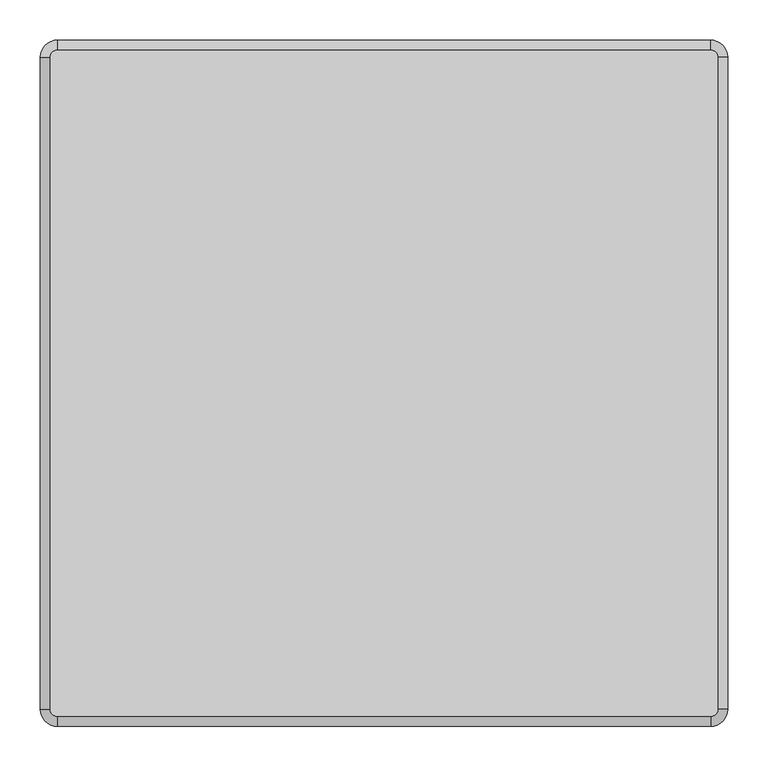
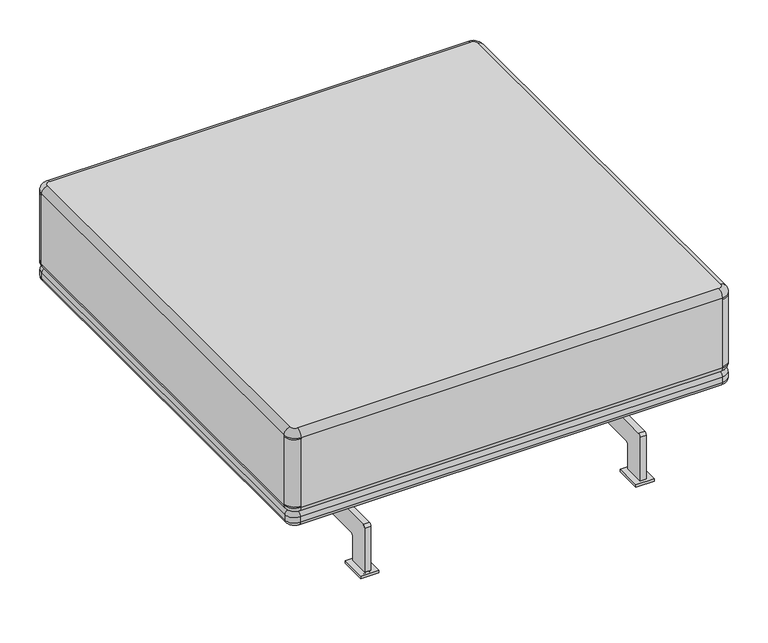
"""IFC4 building model written with IfcOpenShell, lengths in millimetres: furniture geometry."""

from ifc_helpers import new_model, si_unit, point, frame, frame_2d, origin, origin_with_axes, place, context, project, spatial, polyline, circle_curve, ellipse_curve, trimmed, segment, composite_curve, outline, extrude, source, transform, mapped, element, save
from ifc_brep_helpers import plane_surface, cylinder_surface, revolved_surface, advanced_brep


def furniture_0c8e1d78(model_context):
    return source(origin(), model_context, "Body", "SolidModel", [
        advanced_brep(
        [(-403.8164687, 415.8692225, 351.6735871), (-412.52806, 407.1576312, 351.6735871), (-412.52806, -401.8972492, 351.6735871), (-403.8164687, -410.6088405, 351.6735871), (406.9616343, -410.6088405, 351.6735871), (415.6732256, -401.8972492, 351.6735871), (415.6732256, 407.1576312, 351.6735871), (406.9616343, 415.8692225, 351.6735871), (-412.52806, 407.1576312, 185.0), (-403.8164687, 415.8692225, 185.0), (406.9616343, 415.8692225, 185.0), (415.6732256, 407.1576312, 185.0), (415.6732256, -401.8972492, 185.0), (406.9616343, -410.6088405, 185.0), (-403.8164687, -410.6088405, 185.0), (-412.52806, -401.8972492, 185.0), (-424.8645127, 407.1576312, 339.3371343), (-403.8164687, 428.2056753, 339.3371343), (-403.8164687, 428.2056753, 336.7190305), (-424.8645127, 407.1576312, 336.7190305), (-424.8645127, 407.1576312, 199.9545565), (-424.8645127, 407.1576312, 197.3364528), (-424.8645127, -401.8972492, 197.3364528), (-424.8645127, -401.8972492, 199.9545565), (-424.8645127, -401.8972492, 336.7190305), (-424.8645127, -401.8972492, 339.3371343), (-403.8164687, -422.9452933, 336.7190305), (-403.8164687, -422.9452933, 339.3371343), (-403.8164687, -422.9452933, 199.9545565), (-403.8164687, -422.9452933, 197.3364528), (406.9616343, -422.9452933, 197.3364528), (406.9616343, -422.9452933, 199.9545565), (406.9616343, -422.9452933, 336.7190305), (406.9616343, -422.9452933, 339.3371343), (428.0096784, -401.8972492, 336.7190305), (428.0096784, -401.8972492, 339.3371343), (428.0096784, -401.8972492, 199.9545565), (428.0096784, -401.8972492, 197.3364528), (428.0096784, 407.1576312, 197.3364528), (428.0096784, 407.1576312, 199.9545565), (428.0096784, 407.1576312, 336.7190305), (428.0096784, 407.1576312, 339.3371343), (406.9616343, 428.2056753, 336.7190305), (406.9616343, 428.2056753, 339.3371343), (406.9616343, 428.2056753, 199.9545565), (406.9616343, 428.2056753, 197.3364528), (-403.8164687, 428.2056753, 197.3364528), (-403.8164687, 428.2056753, 199.9545565)],
        [
            (0, 1, circle_curve(frame((-403.8164687, 407.1576312, 351.6735871), z_axis=(0.0, 0.0, 1.0), x_axis=(0.0, 1.0, 0.0)), 8.7115913)),
            (1, 2),
            (2, 3, circle_curve(frame((-403.8164687, -401.8972492, 351.6735871), z_axis=(0.0, 0.0, 1.0), x_axis=(-1.0, 0.0, 0.0)), 8.7115913)),
            (3, 4),
            (4, 5, circle_curve(frame((406.9616343, -401.8972492, 351.6735871), z_axis=(0.0, 0.0, 1.0), x_axis=(0.0, -1.0, 0.0)), 8.7115913)),
            (5, 6),
            (6, 7, circle_curve(frame((406.9616343, 407.1576312, 351.6735871), z_axis=(0.0, 0.0, 1.0), x_axis=(1.0, 0.0, 0.0)), 8.7115913)),
            (7, 0),
            (8, 9, circle_curve(frame((-403.8164687, 407.1576312, 185.0), z_axis=(0.0, 0.0, -1.0), x_axis=(0.0, 1.0, 0.0)), 8.7115913)),
            (9, 10),
            (10, 11, circle_curve(frame((406.9616343, 407.1576312, 185.0), z_axis=(0.0, 0.0, -1.0), x_axis=(1.0, 0.0, 0.0)), 8.7115913)),
            (11, 12),
            (12, 13, circle_curve(frame((406.9616343, -401.8972492, 185.0), z_axis=(0.0, 0.0, -1.0), x_axis=(0.0, -1.0, 0.0)), 8.7115913)),
            (13, 14),
            (14, 15, circle_curve(frame((-403.8164687, -401.8972492, 185.0), z_axis=(0.0, 0.0, -1.0), x_axis=(-1.0, 0.0, 0.0)), 8.7115913)),
            (15, 8),
            (16, 17, circle_curve(frame((-403.8164687, 407.1576312, 339.3371343), z_axis=(0.0, 0.0, -1.0), x_axis=(0.0, 1.0, 0.0)), 21.0480441)),
            (17, 18),
            (18, 19, circle_curve(frame((-403.8164687, 407.1576312, 336.7190305), z_axis=(0.0, 0.0, 1.0), x_axis=(0.0, 1.0, 0.0)), 21.0480441)),
            (19, 16),
            (16, 1, circle_curve(frame((-412.52806, 407.1576312, 339.3371343), z_axis=(0.0, 1.0, 0.0), x_axis=(1.0, 0.0, 0.0)), 12.3364528)),
            (0, 17, circle_curve(frame((-403.8164687, 415.8692225, 339.3371343), z_axis=(-1.0, 0.0, 0.0), x_axis=(0.0, -1.0, 0.0)), 12.3364528)),
            (19, 20),
            (20, 21),
            (21, 22),
            (22, 23),
            (23, 24),
            (24, 25),
            (25, 16),
            (25, 2, circle_curve(frame((-412.52806, -401.8972492, 339.3371343), z_axis=(0.0, 1.0, 0.0), x_axis=(1.0, 0.0, 0.0)), 12.3364528)),
            (24, 26, circle_curve(frame((-403.8164687, -401.8972492, 336.7190305), z_axis=(0.0, 0.0, 1.0), x_axis=(-1.0, 0.0, 0.0)), 21.0480441)),
            (26, 27),
            (27, 25, circle_curve(frame((-403.8164687, -401.8972492, 339.3371343), z_axis=(0.0, 0.0, -1.0), x_axis=(-1.0, 0.0, 0.0)), 21.0480441)),
            (27, 3, circle_curve(frame((-403.8164687, -410.6088405, 339.3371343), z_axis=(-1.0, 0.0, 0.0), x_axis=(0.0, 1.0, 0.0)), 12.3364528)),
            (26, 28),
            (28, 29),
            (29, 30),
            (30, 31),
            (31, 32),
            (32, 33),
            (33, 27),
            (33, 4, circle_curve(frame((406.9616343, -410.6088405, 339.3371343), z_axis=(-1.0, 0.0, 0.0), x_axis=(0.0, 1.0, 0.0)), 12.3364528)),
            (32, 34, circle_curve(frame((406.9616343, -401.8972492, 336.7190305), z_axis=(0.0, 0.0, 1.0), x_axis=(0.0, -1.0, 0.0)), 21.0480441)),
            (34, 35),
            (35, 33, circle_curve(frame((406.9616343, -401.8972492, 339.3371343), z_axis=(0.0, 0.0, -1.0), x_axis=(0.0, -1.0, 0.0)), 21.0480441)),
            (35, 5, circle_curve(frame((415.6732256, -401.8972492, 339.3371343), z_axis=(0.0, -1.0, 0.0), x_axis=(-1.0, 0.0, 0.0)), 12.3364528)),
            (34, 36),
            (36, 37),
            (37, 38),
            (38, 39),
            (39, 40),
            (40, 41),
            (41, 35),
            (41, 6, circle_curve(frame((415.6732256, 407.1576312, 339.3371343), z_axis=(0.0, -1.0, 0.0), x_axis=(-1.0, 0.0, 0.0)), 12.3364528)),
            (40, 42, circle_curve(frame((406.9616343, 407.1576312, 336.7190305), z_axis=(0.0, 0.0, 1.0), x_axis=(1.0, 0.0, 0.0)), 21.0480441)),
            (42, 43),
            (43, 41, circle_curve(frame((406.9616343, 407.1576312, 339.3371343), z_axis=(0.0, 0.0, -1.0), x_axis=(1.0, 0.0, 0.0)), 21.0480441)),
            (43, 7, circle_curve(frame((406.9616343, 415.8692225, 339.3371343), z_axis=(1.0, 0.0, 0.0), x_axis=(0.0, -1.0, 0.0)), 12.3364528)),
            (17, 43),
            (42, 44),
            (44, 45),
            (45, 46),
            (46, 47),
            (47, 18),
            (23, 28, circle_curve(frame((-403.8164687, -401.8972492, 199.9545565), z_axis=(0.0, 0.0, 1.0), x_axis=(-1.0, 0.0, 0.0)), 21.0480441)),
            (31, 36, circle_curve(frame((406.9616343, -401.8972492, 199.9545565), z_axis=(0.0, 0.0, 1.0), x_axis=(0.0, -1.0, 0.0)), 21.0480441)),
            (39, 44, circle_curve(frame((406.9616343, 407.1576312, 199.9545565), z_axis=(0.0, 0.0, 1.0), x_axis=(1.0, 0.0, 0.0)), 21.0480441)),
            (47, 20, circle_curve(frame((-403.8164687, 407.1576312, 199.9545565), z_axis=(0.0, 0.0, 1.0), x_axis=(0.0, 1.0, 0.0)), 21.0480441)),
            (46, 21, circle_curve(frame((-403.8164687, 407.1576312, 197.3364528), z_axis=(0.0, 0.0, 1.0), x_axis=(0.0, 1.0, 0.0)), 21.0480441)),
            (46, 9, circle_curve(frame((-403.8164687, 415.8692225, 197.3364528), z_axis=(-1.0, 0.0, 0.0), x_axis=(0.0, -1.0, 0.0)), 12.3364528)),
            (8, 21, circle_curve(frame((-412.52806, 407.1576312, 197.3364528), z_axis=(0.0, 1.0, 0.0), x_axis=(1.0, 0.0, 0.0)), 12.3364528)),
            (15, 22, circle_curve(frame((-412.52806, -401.8972492, 197.3364528), z_axis=(0.0, 1.0, 0.0), x_axis=(1.0, 0.0, 0.0)), 12.3364528)),
            (22, 29, circle_curve(frame((-403.8164687, -401.8972492, 197.3364528), z_axis=(0.0, 0.0, 1.0), x_axis=(-1.0, 0.0, 0.0)), 21.0480441)),
            (14, 29, circle_curve(frame((-403.8164687, -410.6088405, 197.3364528), z_axis=(-1.0, 0.0, 0.0), x_axis=(0.0, 1.0, 0.0)), 12.3364528)),
            (13, 30, circle_curve(frame((406.9616343, -410.6088405, 197.3364528), z_axis=(-1.0, 0.0, 0.0), x_axis=(0.0, 1.0, 0.0)), 12.3364528)),
            (30, 37, circle_curve(frame((406.9616343, -401.8972492, 197.3364528), z_axis=(0.0, 0.0, 1.0), x_axis=(0.0, -1.0, 0.0)), 21.0480441)),
            (12, 37, circle_curve(frame((415.6732256, -401.8972492, 197.3364528), z_axis=(0.0, -1.0, 0.0), x_axis=(-1.0, 0.0, 0.0)), 12.3364528)),
            (11, 38, circle_curve(frame((415.6732256, 407.1576312, 197.3364528), z_axis=(0.0, -1.0, 0.0), x_axis=(-1.0, 0.0, 0.0)), 12.3364528)),
            (38, 45, circle_curve(frame((406.9616343, 407.1576312, 197.3364528), z_axis=(0.0, 0.0, 1.0), x_axis=(1.0, 0.0, 0.0)), 21.0480441)),
            (10, 45, circle_curve(frame((406.9616343, 415.8692225, 197.3364528), z_axis=(1.0, 0.0, 0.0), x_axis=(0.0, -1.0, 0.0)), 12.3364528)),
        ],
        [
            plane_surface(frame((406.9616343, 412.1576312, 351.6735871), z_axis=(0.0, 0.0, 1.0), x_axis=(-1.0, 0.0, 0.0))),
            plane_surface(frame((406.9616343, 412.1576312, 185.0), z_axis=(0.0, 0.0, -1.0), x_axis=(1.0, 0.0, 0.0))),
            cylinder_surface(frame((-403.8164687, 407.1576312, 351.6735871), z_axis=(0.0, 0.0, 1.0), x_axis=(0.0, 1.0, 0.0)), 21.0480441),
            revolved_surface(trimmed(ellipse_curve(frame((-403.8164687, 415.8692225, 339.3371343), z_axis=(1.0, 0.0, 0.0), x_axis=(0.0, -1.0, 0.0)), 12.3364528, 12.3364528), [point((-403.8164687, 428.2056753, 339.3371343))], [point((-403.8164687, 415.8692225, 351.6735871))], True, "CARTESIAN"), (-403.8164687, 407.1576312, 351.6735871), (0.0, 0.0, 1.0)),
            plane_surface(frame((-424.8645127, 407.1576312, 336.7190305), z_axis=(-1.0, 0.0, 0.0), x_axis=(0.0, -1.0, 0.0))),
            cylinder_surface(frame((-412.52806, 407.1576312, 339.3371343), z_axis=(0.0, 1.0, 0.0), x_axis=(1.0, 0.0, 0.0)), 12.3364528),
            cylinder_surface(frame((-403.8164687, -401.8972492, 351.6735871), z_axis=(0.0, 0.0, 1.0), x_axis=(-1.0, 0.0, 0.0)), 21.0480441),
            revolved_surface(trimmed(ellipse_curve(frame((-412.52806, -401.8972492, 339.3371343), z_axis=(0.0, 1.0, 0.0), x_axis=(1.0, 0.0, 0.0)), 12.3364528, 12.3364528), [point((-424.8645127, -401.8972492, 339.3371343))], [point((-412.52806, -401.8972492, 351.6735871))], True, "CARTESIAN"), (-403.8164687, -401.8972492, 351.6735871), (0.0, 0.0, 1.0)),
            plane_surface(frame((-403.8164687, -422.9452933, 336.7190305), z_axis=(0.0, -1.0, 0.0), x_axis=(1.0, 0.0, 0.0))),
            cylinder_surface(frame((-403.8164687, -410.6088405, 339.3371343), z_axis=(-1.0, 0.0, 0.0), x_axis=(0.0, 1.0, 0.0)), 12.3364528),
            cylinder_surface(frame((406.9616343, -401.8972492, 351.6735871), z_axis=(0.0, 0.0, 1.0), x_axis=(0.0, -1.0, 0.0)), 21.0480441),
            revolved_surface(trimmed(ellipse_curve(frame((406.9616343, -410.6088405, 339.3371343), z_axis=(-1.0, 0.0, 0.0), x_axis=(0.0, 1.0, 0.0)), 12.3364528, 12.3364528), [point((406.9616343, -422.9452933, 339.3371343))], [point((406.9616343, -410.6088405, 351.6735871))], True, "CARTESIAN"), (406.9616343, -401.8972492, 351.6735871), (0.0, 0.0, 1.0)),
            plane_surface(frame((428.0096784, -401.8972492, 336.7190305), z_axis=(1.0, 0.0, 0.0), x_axis=(0.0, 1.0, 0.0))),
            cylinder_surface(frame((415.6732256, -401.8972492, 339.3371343), z_axis=(0.0, -1.0, 0.0), x_axis=(-1.0, 0.0, 0.0)), 12.3364528),
            cylinder_surface(frame((406.9616343, 407.1576312, 351.6735871), z_axis=(0.0, 0.0, 1.0), x_axis=(1.0, 0.0, 0.0)), 21.0480441),
            revolved_surface(trimmed(ellipse_curve(frame((415.6732256, 407.1576312, 339.3371343), z_axis=(0.0, -1.0, 0.0), x_axis=(-1.0, 0.0, 0.0)), 12.3364528, 12.3364528), [point((428.0096784, 407.1576312, 339.3371343))], [point((415.6732256, 407.1576312, 351.6735871))], True, "CARTESIAN"), (406.9616343, 407.1576312, 351.6735871), (0.0, 0.0, 1.0)),
            plane_surface(frame((406.9616343, 428.2056753, 336.7190305), z_axis=(0.0, 1.0, 0.0), x_axis=(-1.0, 0.0, 0.0))),
            cylinder_surface(frame((406.9616343, 415.8692225, 339.3371343), z_axis=(1.0, 0.0, 0.0), x_axis=(0.0, -1.0, 0.0)), 12.3364528),
            cylinder_surface(frame((-403.8164687, -401.8972492, 199.9545565), z_axis=(0.0, 0.0, 1.0), x_axis=(-1.0, 0.0, 0.0)), 21.0480441),
            cylinder_surface(frame((406.9616343, -401.8972492, 199.9545565), z_axis=(0.0, 0.0, 1.0), x_axis=(0.0, -1.0, 0.0)), 21.0480441),
            cylinder_surface(frame((406.9616343, 407.1576312, 199.9545565), z_axis=(0.0, 0.0, 1.0), x_axis=(1.0, 0.0, 0.0)), 21.0480441),
            cylinder_surface(frame((-403.8164687, 407.1576312, 199.9545565), z_axis=(0.0, 0.0, 1.0), x_axis=(0.0, 1.0, 0.0)), 21.0480441),
            cylinder_surface(frame((-403.8164687, 407.1576312, 185.0), z_axis=(0.0, 0.0, 1.0), x_axis=(0.0, 1.0, 0.0)), 21.0480441),
            revolved_surface(trimmed(ellipse_curve(frame((-403.8164687, 415.8692225, 197.3364528), z_axis=(1.0, 0.0, 0.0), x_axis=(0.0, -1.0, 0.0)), 12.3364528, 12.3364528), [point((-403.8164687, 415.8692225, 185.0))], [point((-403.8164687, 428.2056753, 197.3364528))], True, "CARTESIAN"), (-403.8164687, 407.1576312, 185.0), (0.0, 0.0, 1.0)),
            cylinder_surface(frame((-412.52806, 407.1576312, 197.3364528), z_axis=(0.0, 1.0, 0.0), x_axis=(1.0, 0.0, 0.0)), 12.3364528),
            cylinder_surface(frame((-403.8164687, -401.8972492, 185.0), z_axis=(0.0, 0.0, 1.0), x_axis=(-1.0, 0.0, 0.0)), 21.0480441),
            revolved_surface(trimmed(ellipse_curve(frame((-412.52806, -401.8972492, 197.3364528), z_axis=(0.0, 1.0, 0.0), x_axis=(1.0, 0.0, 0.0)), 12.3364528, 12.3364528), [point((-412.52806, -401.8972492, 185.0))], [point((-424.8645127, -401.8972492, 197.3364528))], True, "CARTESIAN"), (-403.8164687, -401.8972492, 185.0), (0.0, 0.0, 1.0)),
            cylinder_surface(frame((-403.8164687, -410.6088405, 197.3364528), z_axis=(-1.0, 0.0, 0.0), x_axis=(0.0, 1.0, 0.0)), 12.3364528),
            cylinder_surface(frame((406.9616343, -401.8972492, 185.0), z_axis=(0.0, 0.0, 1.0), x_axis=(0.0, -1.0, 0.0)), 21.0480441),
            revolved_surface(trimmed(ellipse_curve(frame((406.9616343, -410.6088405, 197.3364528), z_axis=(-1.0, 0.0, 0.0), x_axis=(0.0, 1.0, 0.0)), 12.3364528, 12.3364528), [point((406.9616343, -410.6088405, 185.0))], [point((406.9616343, -422.9452933, 197.3364528))], True, "CARTESIAN"), (406.9616343, -401.8972492, 185.0), (0.0, 0.0, 1.0)),
            cylinder_surface(frame((415.6732256, -401.8972492, 197.3364528), z_axis=(0.0, -1.0, 0.0), x_axis=(-1.0, 0.0, 0.0)), 12.3364528),
            cylinder_surface(frame((406.9616343, 407.1576312, 185.0), z_axis=(0.0, 0.0, 1.0), x_axis=(1.0, 0.0, 0.0)), 21.0480441),
            revolved_surface(trimmed(ellipse_curve(frame((415.6732256, 407.1576312, 197.3364528), z_axis=(0.0, -1.0, 0.0), x_axis=(-1.0, 0.0, 0.0)), 12.3364528, 12.3364528), [point((415.6732256, 407.1576312, 185.0))], [point((428.0096784, 407.1576312, 197.3364528))], True, "CARTESIAN"), (406.9616343, 407.1576312, 185.0), (0.0, 0.0, 1.0)),
            cylinder_surface(frame((406.9616343, 415.8692225, 197.3364528), z_axis=(1.0, 0.0, 0.0), x_axis=(0.0, -1.0, 0.0)), 12.3364528),
        ],
        [
            (0, [[1, 2, 3, 4, 5, 6, 7, 8]]),
            (1, [[9, 10, 11, 12, 13, 14, 15, 16]]),
            (2, [[17, 18, 19, 20]]),
            (3, [[-17, 21, -1, 22]]),
            (4, [[-20, 23, 24, 25, 26, 27, 28, 29]]),
            (5, [[-21, -29, 30, -2]]),
            (6, [[-28, 31, 32, 33]]),
            (7, [[-30, -33, 34, -3]]),
            (8, [[-32, 35, 36, 37, 38, 39, 40, 41]]),
            (9, [[-34, -41, 42, -4]]),
            (10, [[-40, 43, 44, 45]]),
            (11, [[-42, -45, 46, -5]]),
            (12, [[-44, 47, 48, 49, 50, 51, 52, 53]]),
            (13, [[-46, -53, 54, -6]]),
            (14, [[-52, 55, 56, 57]]),
            (15, [[-54, -57, 58, -7]]),
            (16, [[-18, 59, -56, 60, 61, 62, 63, 64]]),
            (17, [[-22, -8, -58, -59]]),
            (18, [[-27, 65, -35, -31]]),
            (19, [[-39, 66, -47, -43]]),
            (20, [[-51, 67, -60, -55]]),
            (21, [[-64, 68, -23, -19]]),
            (22, [[-63, 69, -24, -68]]),
            (23, [[-69, 70, -9, 71]]),
            (24, [[-71, -16, 72, -25]]),
            (25, [[-26, 73, -36, -65]]),
            (26, [[-72, -15, 74, -73]]),
            (27, [[-74, -14, 75, -37]]),
            (28, [[-38, 76, -48, -66]]),
            (29, [[-75, -13, 77, -76]]),
            (30, [[-77, -12, 78, -49]]),
            (31, [[-50, 79, -61, -67]]),
            (32, [[-78, -11, 80, -79]]),
            (33, [[-70, -62, -80, -10]]),
        ],
    ),
        extrude(outline(polyline([(284.5710061, -407.8832501), (249.5710061, -407.8832501), (249.5710061, -355.8917628), (284.5710061, -355.8917628), (284.5710061, -407.8832501)])), origin_with_axes(), (0.0, 0.0, 1.0), 5.0),
        extrude(outline(polyline([(284.5710061, 414.103154), (284.5710061, 362.1116667), (249.5710061, 362.1116667), (249.5710061, 414.103154), (284.5710061, 414.103154)])), origin_with_axes(), (0.0, 0.0, 1.0), 5.0),
        extrude(outline(composite_curve([segment(polyline([(263.110295, 99.9874953), (403.1172531, 99.9874953)]), True, "CONTINUOUS"), segment(trimmed(circle_curve(frame_2d((403.1172531, 94.9874953)), 5.0), [point((403.1172531, 99.9874953))], [point((408.1172531, 94.9874953))], False, "CARTESIAN"), True, "CONTINUOUS"), segment(polyline([(408.1172531, 94.9874953), (408.1172531, 5.0)]), True, "CONTINUOUS"), segment(trimmed(circle_curve(frame_2d((403.1172531, 5.0)), 5.0), [point((408.1172531, 5.0))], [point((403.1172531, 0.0))], False, "CARTESIAN"), True, "CONTINUOUS"), segment(polyline([(403.1172531, 0.0), (373.1147119, 0.0)]), True, "CONTINUOUS"), segment(trimmed(circle_curve(frame_2d((373.1147119, 5.0)), 5.0), [point((373.1147119, 0.0))], [point((368.1147119, 5.0))], False, "CARTESIAN"), True, "CONTINUOUS"), segment(polyline([(368.1147119, 5.0), (368.1147119, 54.9883827)]), True, "CONTINUOUS"), segment(trimmed(circle_curve(frame_2d((363.1147119, 54.9883827)), 5.0), [point((368.1147119, 54.9883827))], [point((363.1147119, 59.9883827))], True, "CARTESIAN"), True, "CONTINUOUS"), segment(polyline([(363.1147119, 59.9883827), (-356.8930928, 59.9883827)]), True, "CONTINUOUS"), segment(trimmed(circle_curve(frame_2d((-356.8930928, 54.9883827)), 5.0), [point((-356.8930928, 59.9883827))], [point((-361.8930928, 54.9883827))], True, "CARTESIAN"), True, "CONTINUOUS"), segment(polyline([(-361.8930928, 54.9883827), (-361.8930928, 5.0)]), True, "CONTINUOUS"), segment(trimmed(circle_curve(frame_2d((-366.8930928, 5.0)), 5.0), [point((-361.8930928, 5.0))], [point((-366.8930928, 0.0))], False, "CARTESIAN"), True, "CONTINUOUS"), segment(polyline([(-366.8930928, 0.0), (-396.8802049, 0.0)]), True, "CONTINUOUS"), segment(trimmed(circle_curve(frame_2d((-396.8802049, 5.0)), 5.0), [point((-396.8802049, 0.0))], [point((-401.8802049, 5.0))], False, "CARTESIAN"), True, "CONTINUOUS"), segment(polyline([(-401.8802049, 5.0), (-401.8802049, 94.9874953)]), True, "CONTINUOUS"), segment(trimmed(circle_curve(frame_2d((-396.8802049, 94.9874953)), 5.0), [point((-401.8802049, 94.9874953))], [point((-396.8802049, 99.9874953))], False, "CARTESIAN"), True, "CONTINUOUS"), segment(polyline([(-396.8802049, 99.9874953), (-256.8869616, 99.9874953)]), True, "CONTINUOUS"), segment(trimmed(circle_curve(frame_2d((-256.8869616, 104.9874953)), 5.0), [point((-256.8869616, 99.9874953))], [point((-251.8869616, 104.9874953))], True, "CARTESIAN"), True, "CONTINUOUS"), segment(polyline([(-251.8869616, 104.9874953), (-251.8869616, 158.854696), (258.110295, 158.854696), (258.110295, 104.9874953)]), True, "CONTINUOUS"), segment(trimmed(circle_curve(frame_2d((263.110295, 104.9874953)), 5.0), [point((258.110295, 104.9874953))], [point((263.110295, 99.9874953))], True, "CARTESIAN"), True, "CONTINUOUS")], self_intersect=False)), frame((260.5725956, 0.0, 0.0), z_axis=(1.0, 0.0, 0.0), x_axis=(0.0, 1.0, 0.0)), (0.0, 0.0, 1.0), 12.0),
        extrude(outline(polyline([(-245.4290183, -407.8832501), (-280.4290183, -407.8832501), (-280.4290183, -355.8917628), (-245.4290183, -355.8917628), (-245.4290183, -407.8832501)])), origin_with_axes(), (0.0, 0.0, 1.0), 5.0),
        extrude(outline(polyline([(-245.4290183, 414.103154), (-245.4290183, 362.1116667), (-280.4290183, 362.1116667), (-280.4290183, 414.103154), (-245.4290183, 414.103154)])), origin_with_axes(), (0.0, 0.0, 1.0), 5.0),
        extrude(outline(composite_curve([segment(polyline([(263.110295, 99.9874953), (403.1172531, 99.9874953)]), True, "CONTINUOUS"), segment(trimmed(circle_curve(frame_2d((403.1172531, 94.9874953)), 5.0), [point((403.1172531, 99.9874953))], [point((408.1172531, 94.9874953))], False, "CARTESIAN"), True, "CONTINUOUS"), segment(polyline([(408.1172531, 94.9874953), (408.1172531, 5.0)]), True, "CONTINUOUS"), segment(trimmed(circle_curve(frame_2d((403.1172531, 5.0)), 5.0), [point((408.1172531, 5.0))], [point((403.1172531, 0.0))], False, "CARTESIAN"), True, "CONTINUOUS"), segment(polyline([(403.1172531, 0.0), (373.1147119, 0.0)]), True, "CONTINUOUS"), segment(trimmed(circle_curve(frame_2d((373.1147119, 5.0)), 5.0), [point((373.1147119, 0.0))], [point((368.1147119, 5.0))], False, "CARTESIAN"), True, "CONTINUOUS"), segment(polyline([(368.1147119, 5.0), (368.1147119, 54.9883827)]), True, "CONTINUOUS"), segment(trimmed(circle_curve(frame_2d((363.1147119, 54.9883827)), 5.0), [point((368.1147119, 54.9883827))], [point((363.1147119, 59.9883827))], True, "CARTESIAN"), True, "CONTINUOUS"), segment(polyline([(363.1147119, 59.9883827), (-356.8930928, 59.9883827)]), True, "CONTINUOUS"), segment(trimmed(circle_curve(frame_2d((-356.8930928, 54.9883827)), 5.0), [point((-356.8930928, 59.9883827))], [point((-361.8930928, 54.9883827))], True, "CARTESIAN"), True, "CONTINUOUS"), segment(polyline([(-361.8930928, 54.9883827), (-361.8930928, 5.0)]), True, "CONTINUOUS"), segment(trimmed(circle_curve(frame_2d((-366.8930928, 5.0)), 5.0), [point((-361.8930928, 5.0))], [point((-366.8930928, 0.0))], False, "CARTESIAN"), True, "CONTINUOUS"), segment(polyline([(-366.8930928, 0.0), (-396.8802049, 0.0)]), True, "CONTINUOUS"), segment(trimmed(circle_curve(frame_2d((-396.8802049, 5.0)), 5.0), [point((-396.8802049, 0.0))], [point((-401.8802049, 5.0))], False, "CARTESIAN"), True, "CONTINUOUS"), segment(polyline([(-401.8802049, 5.0), (-401.8802049, 94.9874953)]), True, "CONTINUOUS"), segment(trimmed(circle_curve(frame_2d((-396.8802049, 94.9874953)), 5.0), [point((-401.8802049, 94.9874953))], [point((-396.8802049, 99.9874953))], False, "CARTESIAN"), True, "CONTINUOUS"), segment(polyline([(-396.8802049, 99.9874953), (-256.8869616, 99.9874953)]), True, "CONTINUOUS"), segment(trimmed(circle_curve(frame_2d((-256.8869616, 104.9874953)), 5.0), [point((-256.8869616, 99.9874953))], [point((-251.8869616, 104.9874953))], True, "CARTESIAN"), True, "CONTINUOUS"), segment(polyline([(-251.8869616, 104.9874953), (-251.8869616, 158.854696), (258.110295, 158.854696), (258.110295, 104.9874953)]), True, "CONTINUOUS"), segment(trimmed(circle_curve(frame_2d((263.110295, 104.9874953)), 5.0), [point((258.110295, 104.9874953))], [point((263.110295, 99.9874953))], True, "CARTESIAN"), True, "CONTINUOUS")], self_intersect=False)), frame((-269.4274289, 0.0, 0.0), z_axis=(1.0, 0.0, 0.0), x_axis=(0.0, 1.0, 0.0)), (0.0, 0.0, 1.0), 12.0),
        extrude(outline(composite_curve([segment(polyline([(-408.8164687, -401.8972492), (-408.8164687, 407.1576312)]), True, "CONTINUOUS"), segment(trimmed(circle_curve(frame_2d((-403.8164687, 407.1576312)), 5.0), [point((-408.8164687, 407.1576312))], [point((-403.8164687, 412.1576312))], False, "CARTESIAN"), True, "CONTINUOUS"), segment(polyline([(-403.8164687, 412.1576312), (406.9616343, 412.1576312)]), True, "CONTINUOUS"), segment(trimmed(circle_curve(frame_2d((406.9616343, 407.1576312)), 5.0), [point((406.9616343, 412.1576312))], [point((411.9616343, 407.1576312))], False, "CARTESIAN"), True, "CONTINUOUS"), segment(polyline([(411.9616343, 407.1576312), (411.9616343, -401.8972492)]), True, "CONTINUOUS"), segment(trimmed(circle_curve(frame_2d((406.9616343, -401.8972492)), 5.0), [point((411.9616343, -401.8972492))], [point((406.9616343, -406.8972492))], False, "CARTESIAN"), True, "CONTINUOUS"), segment(polyline([(406.9616343, -406.8972492), (-403.8164687, -406.8972492)]), True, "CONTINUOUS"), segment(trimmed(circle_curve(frame_2d((-403.8164687, -401.8972492)), 5.0), [point((-403.8164687, -406.8972492))], [point((-408.8164687, -401.8972492))], False, "CARTESIAN"), True, "CONTINUOUS")], self_intersect=False)), frame((0.0, 0.0, 158.8040803), z_axis=(0.0, 0.0, 1.0), x_axis=(1.0, 0.0, 0.0)), (0.0, 0.0, 1.0), 26.1959197),
        advanced_brep(
        [(-408.8164687, 408.1576312, 158.8040803), (-404.8164687, 412.1576312, 158.8040803), (-404.8164687, 412.1576312, 185.0), (-408.8164687, 408.1576312, 185.0), (-423.8164687, 408.1576312, 166.3040803), (-404.8164687, 427.1576312, 166.3040803), (-404.8164687, 419.6576312, 158.8040803), (-416.3164687, 408.1576312, 158.8040803), (-423.8164687, 408.1576312, 177.5), (-404.8164687, 427.1576312, 177.5), (-416.3164687, 408.1576312, 185.0), (-404.8164687, 419.6576312, 185.0), (-408.8164687, -402.8972492, 185.0), (-408.8164687, -402.8972492, 158.8040803), (-416.3164687, -402.8972492, 158.8040803), (-423.8164687, -402.8972492, 166.3040803), (-423.8164687, -402.8972492, 177.5), (-416.3164687, -402.8972492, 185.0), (-404.8164687, -406.8972492, 158.8040803), (-404.8164687, -406.8972492, 185.0), (-404.8164687, -421.8972492, 166.3040803), (-404.8164687, -414.3972492, 158.8040803), (-404.8164687, -421.8972492, 177.5), (-404.8164687, -414.3972492, 185.0), (407.9616343, -406.8972492, 185.0), (407.9616343, -406.8972492, 158.8040803), (407.9616343, -414.3972492, 158.8040803), (407.9616343, -421.8972492, 166.3040803), (407.9616343, -421.8972492, 177.5), (407.9616343, -414.3972492, 185.0), (411.9616343, -402.8972492, 158.8040803), (411.9616343, -402.8972492, 185.0), (426.9616343, -402.8972492, 166.3040803), (419.4616343, -402.8972492, 158.8040803), (426.9616343, -402.8972492, 177.5), (419.4616343, -402.8972492, 185.0), (411.9616343, 408.1576312, 185.0), (411.9616343, 408.1576312, 158.8040803), (419.4616343, 408.1576312, 158.8040803), (426.9616343, 408.1576312, 166.3040803), (426.9616343, 408.1576312, 177.5), (419.4616343, 408.1576312, 185.0), (407.9616343, 412.1576312, 158.8040803), (407.9616343, 412.1576312, 185.0), (407.9616343, 427.1576312, 166.3040803), (407.9616343, 419.6576312, 158.8040803), (407.9616343, 427.1576312, 177.5), (407.9616343, 419.6576312, 185.0)],
        [
            (0, 1, circle_curve(frame((-404.8164687, 408.1576312, 158.8040803), z_axis=(0.0, 0.0, -1.0), x_axis=(0.0, 1.0, 0.0)), 4.0)),
            (1, 2),
            (2, 3, circle_curve(frame((-404.8164687, 408.1576312, 185.0), z_axis=(0.0, 0.0, 1.0), x_axis=(0.0, 1.0, 0.0)), 4.0)),
            (3, 0),
            (4, 5, circle_curve(frame((-404.8164687, 408.1576312, 166.3040803), z_axis=(0.0, 0.0, -1.0), x_axis=(0.0, 1.0, 0.0)), 19.0)),
            (5, 6, circle_curve(frame((-404.8164687, 419.6576312, 166.3040803), z_axis=(-1.0, 0.0, 0.0), x_axis=(0.0, -1.0, 0.0)), 7.5)),
            (6, 7, circle_curve(frame((-404.8164687, 408.1576312, 158.8040803), z_axis=(0.0, 0.0, 1.0), x_axis=(0.0, 1.0, 0.0)), 11.5)),
            (7, 4, circle_curve(frame((-416.3164687, 408.1576312, 166.3040803), z_axis=(0.0, 1.0, 0.0), x_axis=(1.0, 0.0, 0.0)), 7.5)),
            (8, 9, circle_curve(frame((-404.8164687, 408.1576312, 177.5), z_axis=(0.0, 0.0, -1.0), x_axis=(0.0, 1.0, 0.0)), 19.0)),
            (9, 5),
            (4, 8),
            (10, 11, circle_curve(frame((-404.8164687, 408.1576312, 185.0), z_axis=(0.0, 0.0, -1.0), x_axis=(0.0, 1.0, 0.0)), 11.5)),
            (11, 9, circle_curve(frame((-404.8164687, 419.6576312, 177.5), z_axis=(-1.0, 0.0, 0.0), x_axis=(0.0, -1.0, 0.0)), 7.5)),
            (8, 10, circle_curve(frame((-416.3164687, 408.1576312, 177.5), z_axis=(0.0, 1.0, 0.0), x_axis=(1.0, 0.0, 0.0)), 7.5)),
            (3, 12),
            (12, 13),
            (13, 0),
            (7, 14),
            (14, 15, circle_curve(frame((-416.3164687, -402.8972492, 166.3040803), z_axis=(0.0, 1.0, 0.0), x_axis=(1.0, 0.0, 0.0)), 7.5)),
            (15, 4),
            (15, 16),
            (16, 8),
            (16, 17, circle_curve(frame((-416.3164687, -402.8972492, 177.5), z_axis=(0.0, 1.0, 0.0), x_axis=(1.0, 0.0, 0.0)), 7.5)),
            (17, 10),
            (18, 13, circle_curve(frame((-404.8164687, -402.8972492, 158.8040803), z_axis=(0.0, 0.0, -1.0), x_axis=(-1.0, 0.0, 0.0)), 4.0)),
            (12, 19, circle_curve(frame((-404.8164687, -402.8972492, 185.0), z_axis=(0.0, 0.0, 1.0), x_axis=(-1.0, 0.0, 0.0)), 4.0)),
            (19, 18),
            (20, 15, circle_curve(frame((-404.8164687, -402.8972492, 166.3040803), z_axis=(0.0, 0.0, -1.0), x_axis=(-1.0, 0.0, 0.0)), 19.0)),
            (14, 21, circle_curve(frame((-404.8164687, -402.8972492, 158.8040803), z_axis=(0.0, 0.0, 1.0), x_axis=(-1.0, 0.0, 0.0)), 11.5)),
            (21, 20, circle_curve(frame((-404.8164687, -414.3972492, 166.3040803), z_axis=(-1.0, 0.0, 0.0), x_axis=(0.0, 1.0, 0.0)), 7.5)),
            (22, 16, circle_curve(frame((-404.8164687, -402.8972492, 177.5), z_axis=(0.0, 0.0, -1.0), x_axis=(-1.0, 0.0, 0.0)), 19.0)),
            (20, 22),
            (23, 17, circle_curve(frame((-404.8164687, -402.8972492, 185.0), z_axis=(0.0, 0.0, -1.0), x_axis=(-1.0, 0.0, 0.0)), 11.5)),
            (22, 23, circle_curve(frame((-404.8164687, -414.3972492, 177.5), z_axis=(-1.0, 0.0, 0.0), x_axis=(0.0, 1.0, 0.0)), 7.5)),
            (19, 24),
            (24, 25),
            (25, 18),
            (21, 26),
            (26, 27, circle_curve(frame((407.9616343, -414.3972492, 166.3040803), z_axis=(-1.0, 0.0, 0.0), x_axis=(0.0, 1.0, 0.0)), 7.5)),
            (27, 20),
            (27, 28),
            (28, 22),
            (28, 29, circle_curve(frame((407.9616343, -414.3972492, 177.5), z_axis=(-1.0, 0.0, 0.0), x_axis=(0.0, 1.0, 0.0)), 7.5)),
            (29, 23),
            (30, 25, circle_curve(frame((407.9616343, -402.8972492, 158.8040803), z_axis=(0.0, 0.0, -1.0), x_axis=(0.0, -1.0, 0.0)), 4.0)),
            (24, 31, circle_curve(frame((407.9616343, -402.8972492, 185.0), z_axis=(0.0, 0.0, 1.0), x_axis=(0.0, -1.0, 0.0)), 4.0)),
            (31, 30),
            (32, 27, circle_curve(frame((407.9616343, -402.8972492, 166.3040803), z_axis=(0.0, 0.0, -1.0), x_axis=(0.0, -1.0, 0.0)), 19.0)),
            (26, 33, circle_curve(frame((407.9616343, -402.8972492, 158.8040803), z_axis=(0.0, 0.0, 1.0), x_axis=(0.0, -1.0, 0.0)), 11.5)),
            (33, 32, circle_curve(frame((419.4616343, -402.8972492, 166.3040803), z_axis=(0.0, -1.0, 0.0), x_axis=(-1.0, 0.0, 0.0)), 7.5)),
            (34, 28, circle_curve(frame((407.9616343, -402.8972492, 177.5), z_axis=(0.0, 0.0, -1.0), x_axis=(0.0, -1.0, 0.0)), 19.0)),
            (32, 34),
            (35, 29, circle_curve(frame((407.9616343, -402.8972492, 185.0), z_axis=(0.0, 0.0, -1.0), x_axis=(0.0, -1.0, 0.0)), 11.5)),
            (34, 35, circle_curve(frame((419.4616343, -402.8972492, 177.5), z_axis=(0.0, -1.0, 0.0), x_axis=(-1.0, 0.0, 0.0)), 7.5)),
            (31, 36),
            (36, 37),
            (37, 30),
            (33, 38),
            (38, 39, circle_curve(frame((419.4616343, 408.1576312, 166.3040803), z_axis=(0.0, -1.0, 0.0), x_axis=(-1.0, 0.0, 0.0)), 7.5)),
            (39, 32),
            (39, 40),
            (40, 34),
            (40, 41, circle_curve(frame((419.4616343, 408.1576312, 177.5), z_axis=(0.0, -1.0, 0.0), x_axis=(-1.0, 0.0, 0.0)), 7.5)),
            (41, 35),
            (42, 37, circle_curve(frame((407.9616343, 408.1576312, 158.8040803), z_axis=(0.0, 0.0, -1.0), x_axis=(1.0, 0.0, 0.0)), 4.0)),
            (36, 43, circle_curve(frame((407.9616343, 408.1576312, 185.0), z_axis=(0.0, 0.0, 1.0), x_axis=(1.0, 0.0, 0.0)), 4.0)),
            (43, 42),
            (44, 39, circle_curve(frame((407.9616343, 408.1576312, 166.3040803), z_axis=(0.0, 0.0, -1.0), x_axis=(1.0, 0.0, 0.0)), 19.0)),
            (38, 45, circle_curve(frame((407.9616343, 408.1576312, 158.8040803), z_axis=(0.0, 0.0, 1.0), x_axis=(1.0, 0.0, 0.0)), 11.5)),
            (45, 44, circle_curve(frame((407.9616343, 419.6576312, 166.3040803), z_axis=(1.0, 0.0, 0.0), x_axis=(0.0, -1.0, 0.0)), 7.5)),
            (46, 40, circle_curve(frame((407.9616343, 408.1576312, 177.5), z_axis=(0.0, 0.0, -1.0), x_axis=(1.0, 0.0, 0.0)), 19.0)),
            (44, 46),
            (47, 41, circle_curve(frame((407.9616343, 408.1576312, 185.0), z_axis=(0.0, 0.0, -1.0), x_axis=(1.0, 0.0, 0.0)), 11.5)),
            (46, 47, circle_curve(frame((407.9616343, 419.6576312, 177.5), z_axis=(1.0, 0.0, 0.0), x_axis=(0.0, -1.0, 0.0)), 7.5)),
            (47, 11),
            (2, 43),
            (1, 42),
            (6, 45),
            (5, 44),
            (9, 46),
        ],
        [
            revolved_surface(polyline([(-404.8164687, 412.1576312, 185.0), (-404.8164687, 412.1576312, 158.8040803)]), (-404.8164687, 408.1576312, 185.0), (0.0, 0.0, 1.0)),
            revolved_surface(trimmed(ellipse_curve(frame((-404.8164687, 419.6576312, 166.3040803), z_axis=(1.0, 0.0, 0.0), x_axis=(0.0, -1.0, 0.0)), 7.5, 7.5), [point((-404.8164687, 419.6576312, 158.8040803))], [point((-404.8164687, 427.1576312, 166.3040803))], True, "CARTESIAN"), (-404.8164687, 408.1576312, 185.0), (0.0, 0.0, 1.0)),
            cylinder_surface(frame((-404.8164687, 408.1576312, 185.0), z_axis=(0.0, 0.0, 1.0), x_axis=(0.0, 1.0, 0.0)), 19.0),
            revolved_surface(trimmed(ellipse_curve(frame((-404.8164687, 419.6576312, 177.5), z_axis=(1.0, 0.0, 0.0), x_axis=(0.0, -1.0, 0.0)), 7.5, 7.5), [point((-404.8164687, 427.1576312, 177.5))], [point((-404.8164687, 419.6576312, 185.0))], True, "CARTESIAN"), (-404.8164687, 408.1576312, 185.0), (0.0, 0.0, 1.0)),
            plane_surface(frame((-408.8164687, 408.1576312, 185.0), z_axis=(1.0, 0.0, 0.0), x_axis=(0.0, -1.0, 0.0))),
            cylinder_surface(frame((-416.3164687, 408.1576312, 166.3040803), z_axis=(0.0, 1.0, 0.0), x_axis=(1.0, 0.0, 0.0)), 7.5),
            plane_surface(frame((-423.8164687, 408.1576312, 166.3040803), z_axis=(-1.0, 0.0, 0.0), x_axis=(0.0, -1.0, 0.0))),
            cylinder_surface(frame((-416.3164687, 408.1576312, 177.5), z_axis=(0.0, 1.0, 0.0), x_axis=(1.0, 0.0, 0.0)), 7.5),
            revolved_surface(polyline([(-408.8164687, -402.8972492, 185.0), (-408.8164687, -402.8972492, 158.8040803)]), (-404.8164687, -402.8972492, 185.0), (0.0, 0.0, 1.0)),
            revolved_surface(trimmed(ellipse_curve(frame((-416.3164687, -402.8972492, 166.3040803), z_axis=(0.0, 1.0, 0.0), x_axis=(1.0, 0.0, 0.0)), 7.5, 7.5), [point((-416.3164687, -402.8972492, 158.8040803))], [point((-423.8164687, -402.8972492, 166.3040803))], True, "CARTESIAN"), (-404.8164687, -402.8972492, 185.0), (0.0, 0.0, 1.0)),
            cylinder_surface(frame((-404.8164687, -402.8972492, 185.0), z_axis=(0.0, 0.0, 1.0), x_axis=(-1.0, 0.0, 0.0)), 19.0),
            revolved_surface(trimmed(ellipse_curve(frame((-416.3164687, -402.8972492, 177.5), z_axis=(0.0, 1.0, 0.0), x_axis=(1.0, 0.0, 0.0)), 7.5, 7.5), [point((-423.8164687, -402.8972492, 177.5))], [point((-416.3164687, -402.8972492, 185.0))], True, "CARTESIAN"), (-404.8164687, -402.8972492, 185.0), (0.0, 0.0, 1.0)),
            plane_surface(frame((-404.8164687, -406.8972492, 185.0), z_axis=(0.0, 1.0, 0.0), x_axis=(1.0, 0.0, 0.0))),
            cylinder_surface(frame((-404.8164687, -414.3972492, 166.3040803), z_axis=(-1.0, 0.0, 0.0), x_axis=(0.0, 1.0, 0.0)), 7.5),
            plane_surface(frame((-404.8164687, -421.8972492, 166.3040803), z_axis=(0.0, -1.0, 0.0), x_axis=(1.0, 0.0, 0.0))),
            cylinder_surface(frame((-404.8164687, -414.3972492, 177.5), z_axis=(-1.0, 0.0, 0.0), x_axis=(0.0, 1.0, 0.0)), 7.5),
            revolved_surface(polyline([(407.9616343, -406.8972492, 185.0), (407.9616343, -406.8972492, 158.8040803)]), (407.9616343, -402.8972492, 185.0), (0.0, 0.0, 1.0)),
            revolved_surface(trimmed(ellipse_curve(frame((407.9616343, -414.3972492, 166.3040803), z_axis=(-1.0, 0.0, 0.0), x_axis=(0.0, 1.0, 0.0)), 7.5, 7.5), [point((407.9616343, -414.3972492, 158.8040803))], [point((407.9616343, -421.8972492, 166.3040803))], True, "CARTESIAN"), (407.9616343, -402.8972492, 185.0), (0.0, 0.0, 1.0)),
            cylinder_surface(frame((407.9616343, -402.8972492, 185.0), z_axis=(0.0, 0.0, 1.0), x_axis=(0.0, -1.0, 0.0)), 19.0),
            revolved_surface(trimmed(ellipse_curve(frame((407.9616343, -414.3972492, 177.5), z_axis=(-1.0, 0.0, 0.0), x_axis=(0.0, 1.0, 0.0)), 7.5, 7.5), [point((407.9616343, -421.8972492, 177.5))], [point((407.9616343, -414.3972492, 185.0))], True, "CARTESIAN"), (407.9616343, -402.8972492, 185.0), (0.0, 0.0, 1.0)),
            plane_surface(frame((411.9616343, -402.8972492, 185.0), z_axis=(-1.0, 0.0, 0.0), x_axis=(0.0, 1.0, 0.0))),
            cylinder_surface(frame((419.4616343, -402.8972492, 166.3040803), z_axis=(0.0, -1.0, 0.0), x_axis=(-1.0, 0.0, 0.0)), 7.5),
            plane_surface(frame((426.9616343, -402.8972492, 166.3040803), z_axis=(1.0, 0.0, 0.0), x_axis=(0.0, 1.0, 0.0))),
            cylinder_surface(frame((419.4616343, -402.8972492, 177.5), z_axis=(0.0, -1.0, 0.0), x_axis=(-1.0, 0.0, 0.0)), 7.5),
            revolved_surface(polyline([(411.9616343, 408.1576312, 185.0), (411.9616343, 408.1576312, 158.8040803)]), (407.9616343, 408.1576312, 185.0), (0.0, 0.0, 1.0)),
            revolved_surface(trimmed(ellipse_curve(frame((419.4616343, 408.1576312, 166.3040803), z_axis=(0.0, -1.0, 0.0), x_axis=(-1.0, 0.0, 0.0)), 7.5, 7.5), [point((419.4616343, 408.1576312, 158.8040803))], [point((426.9616343, 408.1576312, 166.3040803))], True, "CARTESIAN"), (407.9616343, 408.1576312, 185.0), (0.0, 0.0, 1.0)),
            cylinder_surface(frame((407.9616343, 408.1576312, 185.0), z_axis=(0.0, 0.0, 1.0), x_axis=(1.0, 0.0, 0.0)), 19.0),
            revolved_surface(trimmed(ellipse_curve(frame((419.4616343, 408.1576312, 177.5), z_axis=(0.0, -1.0, 0.0), x_axis=(-1.0, 0.0, 0.0)), 7.5, 7.5), [point((426.9616343, 408.1576312, 177.5))], [point((419.4616343, 408.1576312, 185.0))], True, "CARTESIAN"), (407.9616343, 408.1576312, 185.0), (0.0, 0.0, 1.0)),
            plane_surface(frame((407.9616343, 419.6576312, 185.0), z_axis=(0.0, 0.0, 1.0), x_axis=(-1.0, 0.0, 0.0))),
            plane_surface(frame((407.9616343, 412.1576312, 185.0), z_axis=(0.0, -1.0, 0.0), x_axis=(-1.0, 0.0, 0.0))),
            plane_surface(frame((407.9616343, 412.1576312, 158.8040803), z_axis=(0.0, 0.0, -1.0), x_axis=(-1.0, 0.0, 0.0))),
            cylinder_surface(frame((407.9616343, 419.6576312, 166.3040803), z_axis=(1.0, 0.0, 0.0), x_axis=(0.0, -1.0, 0.0)), 7.5),
            plane_surface(frame((407.9616343, 427.1576312, 166.3040803), z_axis=(0.0, 1.0, 0.0), x_axis=(-1.0, 0.0, 0.0))),
            cylinder_surface(frame((407.9616343, 419.6576312, 177.5), z_axis=(1.0, 0.0, 0.0), x_axis=(0.0, -1.0, 0.0)), 7.5),
        ],
        [
            (0, [[1, 2, 3, 4]]),
            (1, [[5, 6, 7, 8]]),
            (2, [[9, 10, -5, 11]]),
            (3, [[12, 13, -9, 14]]),
            (4, [[-4, 15, 16, 17]]),
            (5, [[-8, 18, 19, 20]]),
            (6, [[-11, -20, 21, 22]]),
            (7, [[-14, -22, 23, 24]]),
            (8, [[25, -16, 26, 27]]),
            (9, [[28, -19, 29, 30]]),
            (10, [[31, -21, -28, 32]]),
            (11, [[33, -23, -31, 34]]),
            (12, [[-27, 35, 36, 37]]),
            (13, [[-30, 38, 39, 40]]),
            (14, [[-32, -40, 41, 42]]),
            (15, [[-34, -42, 43, 44]]),
            (16, [[45, -36, 46, 47]]),
            (17, [[48, -39, 49, 50]]),
            (18, [[51, -41, -48, 52]]),
            (19, [[53, -43, -51, 54]]),
            (20, [[-47, 55, 56, 57]]),
            (21, [[-50, 58, 59, 60]]),
            (22, [[-52, -60, 61, 62]]),
            (23, [[-54, -62, 63, 64]]),
            (24, [[65, -56, 66, 67]]),
            (25, [[68, -59, 69, 70]]),
            (26, [[71, -61, -68, 72]]),
            (27, [[73, -63, -71, 74]]),
            (28, [[-64, -73, 75, -12, -24, -33, -44, -53], [76, -66, -55, -46, -35, -26, -15, -3]]),
            (29, [[-67, -76, -2, 77]]),
            (30, [[78, -69, -58, -49, -38, -29, -18, -7], [-57, -65, -77, -1, -17, -25, -37, -45]]),
            (31, [[-70, -78, -6, 79]]),
            (32, [[-72, -79, -10, 80]]),
            (33, [[-74, -80, -13, -75]]),
        ],
    ),
    ])


if __name__ == "__main__":
    model = new_model("IFC4")
    model_context = context("Model", 3, world=origin())
    ifc_project = project(units=[si_unit("LENGTHUNIT", "METRE", prefix="MILLI")], contexts=[model_context])
    site = spatial("IfcSite", under=ifc_project)
    building = spatial("IfcBuilding", under=site)
    placement = place(None, origin())
    furniture_shape = furniture_0c8e1d78(model_context)
    element("IfcFurniture", 1, at=placement, inside=building, context=model_context, shape_type="MappedRepresentation", body=[
        mapped(furniture_shape, transform((0.0, 0.0, 0.0), x_axis=(1.0, 0.0, 0.0), y_axis=(0.0, 1.0, 0.0), z_axis=(0.0, 0.0, 1.0))),
    ])
    save(model, "model.ifc")
